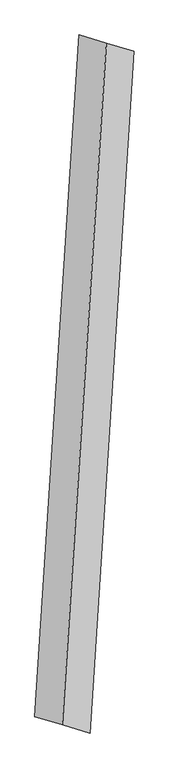
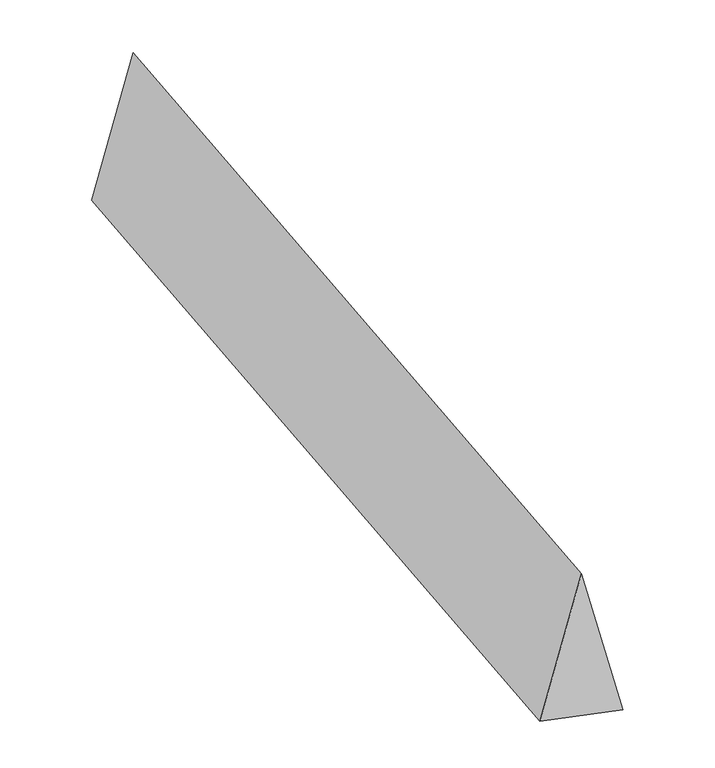
"""IFC4 building model written with IfcOpenShell, lengths in millimetres: proxy geometry."""

from ifc_helpers import new_model, si_unit, origin, place, context, project, spatial, faceted_brep, source, transform, mapped, element, save


def generic_models_2ee262cd(model_context):
    return source(origin(), model_context, "Body", "Brep", [
        faceted_brep([(-132.4280105, -2046.2583248, 700.0), (33.2290495, -2095.1709943, 0.0), (298.0850704, 1997.3456553, 0.0), (132.4280105, 2046.2583248, 700.0), (-298.0850704, -1997.3456553, 0.0), (-33.2290495, 2095.1709943, 0.0)], [[[0, 1, 2, 3]], [[1, 4, 5, 2]], [[4, 0, 3, 5]], [[3, 2, 5]], [[0, 4, 1]]]),
    ])


if __name__ == "__main__":
    model = new_model("IFC4")
    model_context = context("Model", 3, world=origin())
    ifc_project = project(units=[si_unit("LENGTHUNIT", "METRE", prefix="MILLI")], contexts=[model_context])
    site = spatial("IfcSite", under=ifc_project)
    building = spatial("IfcBuilding", under=site)
    placement = place(None, origin())
    generic_models_shape = generic_models_2ee262cd(model_context)
    element("IfcBuildingElementProxy", 1, Name="Generic Models", at=placement, inside=building, context=model_context, shape_type="MappedRepresentation", body=[
        mapped(generic_models_shape, transform((0.0, 0.0, 0.0), x_axis=(1.0, 0.0, 0.0), y_axis=(0.0, 1.0, 0.0), z_axis=(0.0, 0.0, 1.0))),
    ])
    save(model, "model.ifc")
